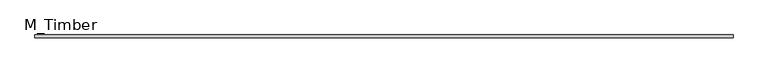
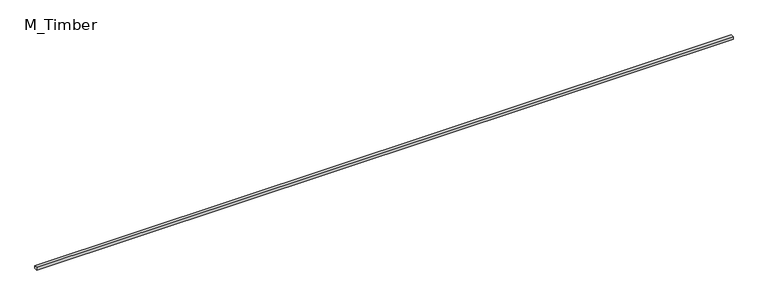
"""IFC4 building model written with IfcOpenShell, lengths in millimetres: beam geometry, M_Timber."""

from ifc_helpers import new_model, si_unit, frame, origin, place, context, project, spatial, polyline, outline, extrude, source, transform, mapped, element, save


def m_timber_7fbc5613(model_context):
    return source(origin(), model_context, "Body", "SweptSolid", [
        extrude(outline(polyline([(4678.1345263, 20.0), (4678.1345263, -20.0), (-4678.1345263, -20.0), (-4678.1345263, 20.0), (4678.1345263, 20.0)])), frame((0.0, 0.0, -20.0), z_axis=(0.0, 0.0, 1.0), x_axis=(1.0, 0.0, 0.0)), (0.0, 0.0, 1.0), 40.0),
    ])


if __name__ == "__main__":
    model = new_model("IFC4")
    model_context = context("Model", 3, world=origin())
    ifc_project = project(units=[si_unit("LENGTHUNIT", "METRE", prefix="MILLI")], contexts=[model_context])
    site = spatial("IfcSite", under=ifc_project)
    building = spatial("IfcBuilding", under=site)
    placement = place(None, origin())
    m_timber_shape = m_timber_7fbc5613(model_context)
    element("IfcBeam", 1, ObjectType="M_Timber", at=placement, inside=building, context=model_context, shape_type="MappedRepresentation", body=[
        mapped(m_timber_shape, transform((0.0, 0.0, 0.0), x_axis=(1.0, 0.0, 0.0), y_axis=(0.0, 1.0, 0.0), z_axis=(0.0, 0.0, 1.0))),
    ])
    save(model, "model.ifc")
